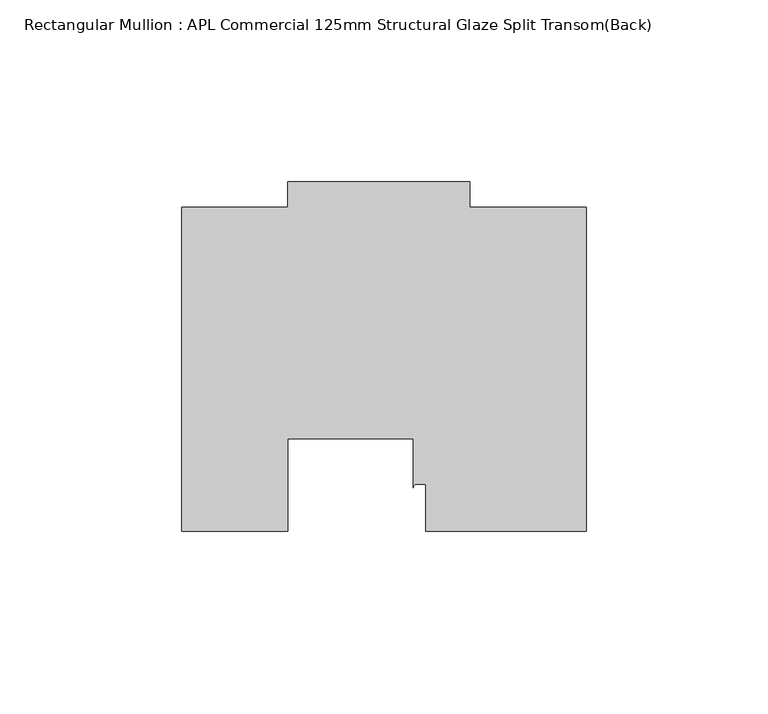
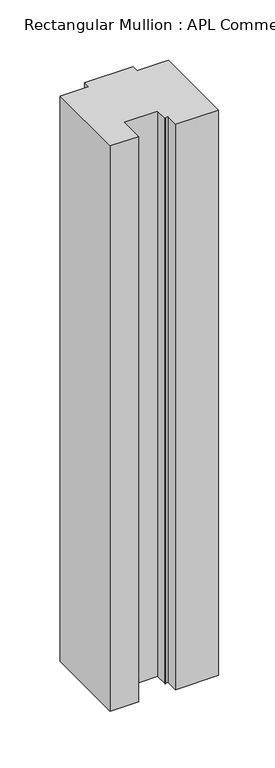
"""IFC4 building model written with IfcOpenShell, lengths in millimetres: member geometry, Rectangular Mullion : APL Commercial 125mm Structural Glaze Split Transom(Back)."""

import ifcopenshell
import ifcopenshell.guid

model = None  # the IFC model being written
_history = None  # IfcOwnerHistory: only IFC2X3 demands one
_inside = {}  # id of a spatial element -> (the spatial element, [elements in it])
_under = {}  # id of a project, library or spatial element -> (it, [spatial elements below it])
_declared = {}  # id of a project -> (the project, [libraries it declares])
_typed = {}  # id of a type object -> (the type object, [elements of that type])
_made_of = {}  # id of a material, layer set ... -> (it, [elements and type objects made of it])


def new_model(schema):
    """Start an empty IFC model of exactly this schema.

    Asked for "IFC4X3", IfcOpenShell would pick the latest addendum, in which some entities
    have other attributes; the version numbers below select the first issue.
    IFC2X3 requires an IfcOwnerHistory on every rooted entity: one is made here for all.
    """
    global model, _history
    if schema == "IFC4X3":
        model = ifcopenshell.file(schema_version=(4, 3, 0, 0))
    else:
        model = ifcopenshell.file(schema=schema)
    _inside.clear()
    _under.clear()
    _declared.clear()
    _typed.clear()
    _made_of.clear()
    _history = None
    if model.schema == "IFC2X3":
        org = make("IfcOrganization", Name="unknown")
        user = make(
            "IfcPersonAndOrganization",
            ThePerson=make("IfcPerson", FamilyName="unknown"),
            TheOrganization=org,
        )
        app = make(
            "IfcApplication",
            ApplicationDeveloper=org,
            Version="unknown",
            ApplicationFullName="unknown",
            ApplicationIdentifier="unknown",
        )
        _history = make(
            "IfcOwnerHistory",
            OwningUser=user,
            OwningApplication=app,
            ChangeAction="ADDED",
            CreationDate=0,
        )
    return model


def make(cls, **values):
    """One entity of the class cls with the attributes given. An attribute that is None is left unset."""
    return model.create_entity(
        cls, **{name: value for name, value in values.items() if value is not None}
    )


def rooted(cls, **values):
    """An entity with a GlobalId (a new one), such as an element, a storey or a relation."""
    return make(cls, GlobalId=ifcopenshell.guid.new(), OwnerHistory=_history, **values)


def si_unit(unit_type, name, prefix=None):
    """IfcSIUnit, for example si_unit("LENGTHUNIT", "METRE", prefix="MILLI")."""
    return make("IfcSIUnit", UnitType=unit_type, Prefix=prefix, Name=name)


def assignment(units):
    """IfcUnitAssignment: the units of a project."""
    return None if units is None else make("IfcUnitAssignment", Units=units)


def point(xyz):
    """IfcCartesianPoint."""
    return None if xyz is None else make("IfcCartesianPoint", Coordinates=xyz)


def direction(xyz):
    """IfcDirection."""
    return None if xyz is None else make("IfcDirection", DirectionRatios=xyz)


def frame(location, z_axis=None, x_axis=None):
    """IfcAxis2Placement3D, a coordinate frame: its origin and axes. An axis left out is left unset."""
    return make(
        "IfcAxis2Placement3D",
        Location=point(location),
        Axis=direction(z_axis),
        RefDirection=direction(x_axis),
    )


def frame_2d(location, x_axis=None):
    """IfcAxis2Placement2D, a coordinate frame in the plane: its origin and x axis."""
    return make(
        "IfcAxis2Placement2D", Location=point(location), RefDirection=direction(x_axis)
    )


def origin():
    """The frame at (0, 0, 0) with its axes left unset."""
    return frame((0.0, 0.0, 0.0))


def place(relative_to, where):
    """IfcLocalPlacement: puts the frame where relative to a parent placement (None: the world)."""
    return make(
        "IfcLocalPlacement", PlacementRelTo=relative_to, RelativePlacement=where
    )


def context(
    kind, dimensions, precision=None, world=None, true_north=None, identifier=None
):
    """IfcGeometricRepresentationContext, for example the 3D "Model" context."""
    return make(
        "IfcGeometricRepresentationContext",
        ContextIdentifier=identifier,
        ContextType=kind,
        CoordinateSpaceDimension=dimensions,
        Precision=precision,
        WorldCoordinateSystem=world,
        TrueNorth=true_north,
    )


def project(units=None, contexts=None):
    """IfcProject with its units and contexts."""
    return rooted(
        "IfcProject",
        Name="project",
        RepresentationContexts=contexts,
        UnitsInContext=assignment(units),
    )


def spatial(cls, under=None, at=None, **own):
    """A site, building, storey or space (cls), placed at a placement, below another one or the project."""
    s = rooted(cls, ObjectPlacement=at, **own)
    if under is not None:
        _under.setdefault(under.id(), (under, []))[1].append(s)
    return s


def polyline(points):
    """IfcPolyline through the points."""
    return make("IfcPolyline", Points=[point(p) for p in points])


def circle_curve(where, radius):
    """IfcCircle in the frame where."""
    return make("IfcCircle", Position=where, Radius=radius)


def trimmed(basis, trim1, trim2, sense, master):
    """IfcTrimmedCurve: the piece of a basis curve between two trims."""
    return make(
        "IfcTrimmedCurve",
        BasisCurve=basis,
        Trim1=trim1,
        Trim2=trim2,
        SenseAgreement=sense,
        MasterRepresentation=master,
    )


def segment(curve, same_sense, transition):
    """IfcCompositeCurveSegment."""
    return make(
        "IfcCompositeCurveSegment",
        Transition=transition,
        SameSense=same_sense,
        ParentCurve=curve,
    )


def composite_curve(segments, self_intersect=None):
    """IfcCompositeCurve: segments joined end to end."""
    return make("IfcCompositeCurve", Segments=segments, SelfIntersect=self_intersect)


def outline(outer, holes=None, kind="AREA"):
    """IfcArbitraryClosedProfileDef: a profile drawn as a closed curve; with holes, ...WithVoids."""
    if holes is None:
        return make("IfcArbitraryClosedProfileDef", ProfileType=kind, OuterCurve=outer)
    return make(
        "IfcArbitraryProfileDefWithVoids",
        ProfileType=kind,
        OuterCurve=outer,
        InnerCurves=holes,
    )


def extrude(swept, where, along, depth):
    """IfcExtrudedAreaSolid: the profile swept, set in the frame where, extruded along a direction by depth."""
    return make(
        "IfcExtrudedAreaSolid",
        SweptArea=swept,
        Position=where,
        ExtrudedDirection=direction(along),
        Depth=depth,
    )


def shape(context_of_items, identifier, shape_type, items):
    """IfcShapeRepresentation: the items that make up one representation, for example the "Body"."""
    return make(
        "IfcShapeRepresentation",
        ContextOfItems=context_of_items,
        RepresentationIdentifier=identifier,
        RepresentationType=shape_type,
        Items=items,
    )


def source(mapping_origin, context_of_items, identifier, shape_type, items):
    """IfcRepresentationMap: a shape defined once, which mapped items show again and again."""
    return make(
        "IfcRepresentationMap",
        MappingOrigin=mapping_origin,
        MappedRepresentation=shape(context_of_items, identifier, shape_type, items),
    )


def transform(
    local_origin,
    x_axis=None,
    y_axis=None,
    z_axis=None,
    scale=None,
    scale2=None,
    scale3=None,
    uniform=True,
):
    """IfcCartesianTransformationOperator3D, or its non-uniform kind. x_axis, y_axis, z_axis: its Axis1, 2, 3."""
    if uniform:
        return make(
            "IfcCartesianTransformationOperator3D",
            Axis1=direction(x_axis),
            Axis2=direction(y_axis),
            LocalOrigin=point(local_origin),
            Scale=scale,
            Axis3=direction(z_axis),
        )
    return make(
        "IfcCartesianTransformationOperator3DnonUniform",
        Axis1=direction(x_axis),
        Axis2=direction(y_axis),
        LocalOrigin=point(local_origin),
        Scale=scale,
        Axis3=direction(z_axis),
        Scale2=scale2,
        Scale3=scale3,
    )


def mapped(mapping_source, mapping_target):
    """IfcMappedItem: shows the shape of a source again, moved by a transform."""
    return make(
        "IfcMappedItem", MappingSource=mapping_source, MappingTarget=mapping_target
    )


def made_of(thing, what):
    """Note that an element or type object is made of a material, layer set ...; save() writes the relation."""
    if what is not None:
        _made_of.setdefault(what.id(), (what, []))[1].append(thing)
    return thing


def element(
    cls,
    number,
    at=None,
    inside=None,
    cuts=None,
    type_object=None,
    material=None,
    context=None,
    identifier="Body",
    shape_type=None,
    held_by="IfcProductDefinitionShape",
    body=None,
    shapes=None,
    **own,
):
    """One element of the class cls, such as IfcWall. Its Tag is "e" and its number.

    at: its placement. inside: the storey or other place that contains it. cuts: it is an
    opening in that element (IfcRelVoidsElement). A single representation is given by context,
    identifier, shape_type and body (its items); several are given by shapes. held_by: the class
    of the entity that holds the representations. save() writes the other relations.
    """
    e = rooted(cls, Tag="e%d" % number, ObjectPlacement=at, **own)
    if body is not None:
        shapes = [shape(context, identifier, shape_type, body)]
    if shapes is not None:
        e.Representation = make(held_by, Representations=shapes)
    if inside is not None:
        _inside.setdefault(inside.id(), (inside, []))[1].append(e)
    if cuts is not None:
        rooted(
            "IfcRelVoidsElement", RelatingBuildingElement=cuts, RelatedOpeningElement=e
        )
    if type_object is not None:
        _typed.setdefault(type_object.id(), (type_object, []))[1].append(e)
    return made_of(e, material)


def aggregate(whole, parts):
    """IfcRelAggregates: a whole, such as a stair, and the parts it consists of."""
    return rooted("IfcRelAggregates", RelatingObject=whole, RelatedObjects=parts)


def save(model, path):
    """Write the relations noted so far, then the file.

    IfcRelAggregates (storeys below a building ...), IfcRelContainedInSpatialStructure (elements
    in a storey), IfcRelDefinesByType, IfcRelAssociatesMaterial and IfcRelDeclares: one each for
    every whole, place, type object, material and project.
    """
    for whole, parts in _under.values():
        aggregate(whole, parts)
    for where, things in _inside.values():
        rooted(
            "IfcRelContainedInSpatialStructure",
            RelatedElements=things,
            RelatingStructure=where,
        )
    for kind, things in _typed.values():
        rooted("IfcRelDefinesByType", RelatedObjects=things, RelatingType=kind)
    for what, things in _made_of.values():
        rooted("IfcRelAssociatesMaterial", RelatedObjects=things, RelatingMaterial=what)
    for by, libraries in _declared.values():
        rooted("IfcRelDeclares", RelatingContext=by, RelatedDefinitions=libraries)
    model.write(path)


def rectangular_mullion_apl_commercial_125mm_structural_glaze_42fcd773(model_context):
    return source(origin(), model_context, "Body", "SweptSolid", [
        extrude(outline(composite_curve([segment(polyline([(54.0000029, 15.0004617), (10.0000029, 15.0004617), (10.0000029, 28.0002131), (7.5000029, 28.0002131)]), True, "CONTINUOUS"), segment(trimmed(circle_curve(frame_2d((7.5000029, 27.0002131)), 1.0), [point((7.5000029, 28.0002131))], [point((6.5000029, 27.0002131))], True, "CARTESIAN"), True, "CONTINUOUS"), segment(polyline([(6.5000029, 27.0002131), (6.5000029, 40.499932), (-28.0000482, 40.499932), (-28.0000482, 15.0001793), (-57.0000004, 15.0001793), (-57.0000004, 103.9999439), (-27.9971154, 103.9999439), (-27.9971154, 111.0), (22.0028846, 111.0), (22.0028846, 104.0), (54.0000029, 104.0), (54.0000029, 15.0004617)]), True, "CONTINUOUS")], self_intersect=False)), frame((0.0, 0.0, -613.1421998), z_axis=(0.0, 0.0, 1.0), x_axis=(1.0, 0.0, 0.0)), (0.0, 0.0, 1.0), 613.1421998),
    ])


if __name__ == "__main__":
    model = new_model("IFC4")
    model_context = context("Model", 3, world=origin())
    ifc_project = project(units=[si_unit("LENGTHUNIT", "METRE", prefix="MILLI")], contexts=[model_context])
    site = spatial("IfcSite", under=ifc_project)
    building = spatial("IfcBuilding", under=site)
    placement = place(None, origin())
    rectangular_mullion_apl_commercial_125mm_structural_glaze_shape = rectangular_mullion_apl_commercial_125mm_structural_glaze_42fcd773(model_context)
    element("IfcMember", 1, ObjectType="Rectangular Mullion : APL Commercial 125mm Structural Glaze Split Transom(Back)", at=placement, inside=building, context=model_context, shape_type="MappedRepresentation", body=[
        mapped(rectangular_mullion_apl_commercial_125mm_structural_glaze_shape, transform((0.0, 0.0, 0.0), x_axis=(1.0, 0.0, 0.0), y_axis=(0.0, 1.0, 0.0), z_axis=(0.0, 0.0, 1.0))),
    ])
    save(model, "model.ifc")
